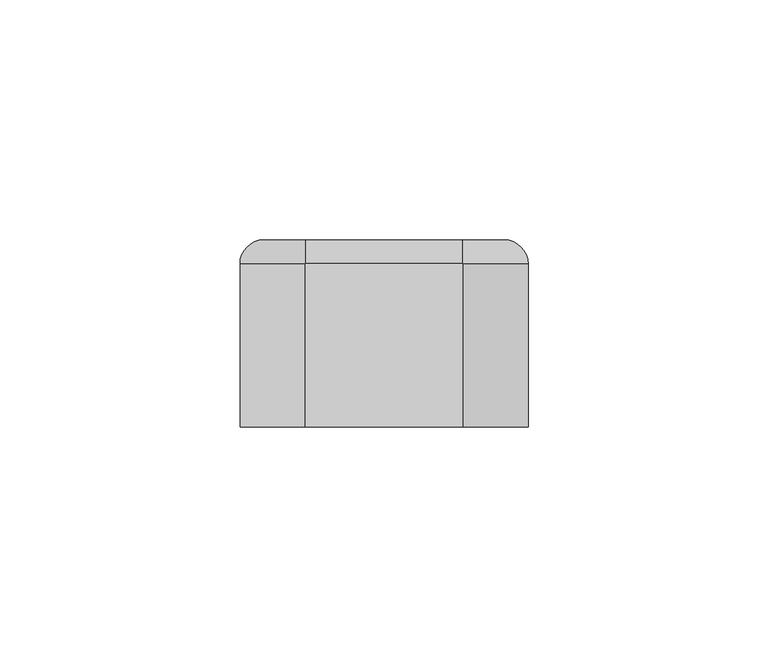
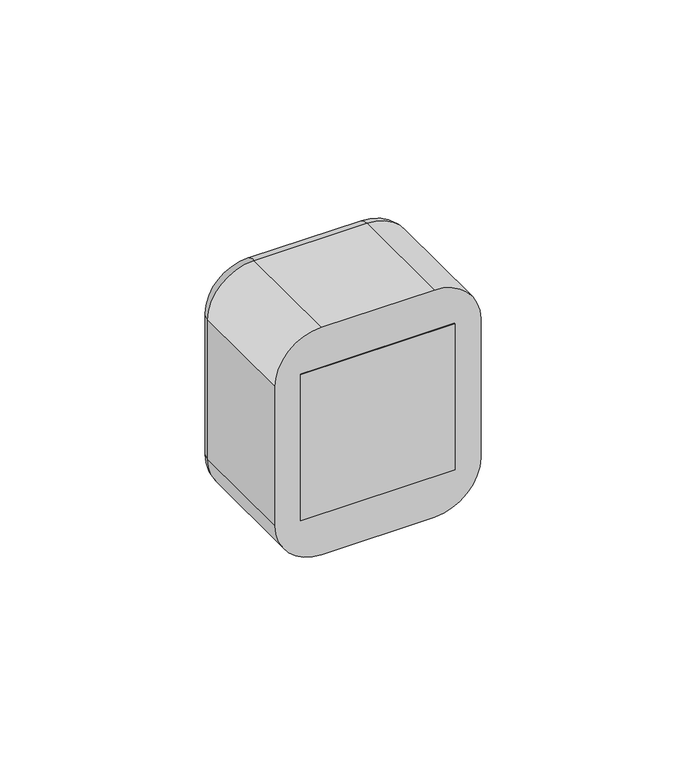
"""IFC4 building model written with IfcOpenShell, lengths in millimetres: proxy geometry."""

import ifcopenshell
import ifcopenshell.guid

model = None  # the IFC model being written
_history = None  # IfcOwnerHistory: only IFC2X3 demands one
_inside = {}  # id of a spatial element -> (the spatial element, [elements in it])
_under = {}  # id of a project, library or spatial element -> (it, [spatial elements below it])
_declared = {}  # id of a project -> (the project, [libraries it declares])
_typed = {}  # id of a type object -> (the type object, [elements of that type])
_made_of = {}  # id of a material, layer set ... -> (it, [elements and type objects made of it])


def new_model(schema):
    """Start an empty IFC model of exactly this schema.

    Asked for "IFC4X3", IfcOpenShell would pick the latest addendum, in which some entities
    have other attributes; the version numbers below select the first issue.
    IFC2X3 requires an IfcOwnerHistory on every rooted entity: one is made here for all.
    """
    global model, _history
    if schema == "IFC4X3":
        model = ifcopenshell.file(schema_version=(4, 3, 0, 0))
    else:
        model = ifcopenshell.file(schema=schema)
    _inside.clear()
    _under.clear()
    _declared.clear()
    _typed.clear()
    _made_of.clear()
    _history = None
    if model.schema == "IFC2X3":
        org = make("IfcOrganization", Name="unknown")
        user = make(
            "IfcPersonAndOrganization",
            ThePerson=make("IfcPerson", FamilyName="unknown"),
            TheOrganization=org,
        )
        app = make(
            "IfcApplication",
            ApplicationDeveloper=org,
            Version="unknown",
            ApplicationFullName="unknown",
            ApplicationIdentifier="unknown",
        )
        _history = make(
            "IfcOwnerHistory",
            OwningUser=user,
            OwningApplication=app,
            ChangeAction="ADDED",
            CreationDate=0,
        )
    return model


def make(cls, **values):
    """One entity of the class cls with the attributes given. An attribute that is None is left unset."""
    return model.create_entity(
        cls, **{name: value for name, value in values.items() if value is not None}
    )


def rooted(cls, **values):
    """An entity with a GlobalId (a new one), such as an element, a storey or a relation."""
    return make(cls, GlobalId=ifcopenshell.guid.new(), OwnerHistory=_history, **values)


def si_unit(unit_type, name, prefix=None):
    """IfcSIUnit, for example si_unit("LENGTHUNIT", "METRE", prefix="MILLI")."""
    return make("IfcSIUnit", UnitType=unit_type, Prefix=prefix, Name=name)


def assignment(units):
    """IfcUnitAssignment: the units of a project."""
    return None if units is None else make("IfcUnitAssignment", Units=units)


def point(xyz):
    """IfcCartesianPoint."""
    return None if xyz is None else make("IfcCartesianPoint", Coordinates=xyz)


def direction(xyz):
    """IfcDirection."""
    return None if xyz is None else make("IfcDirection", DirectionRatios=xyz)


def frame(location, z_axis=None, x_axis=None):
    """IfcAxis2Placement3D, a coordinate frame: its origin and axes. An axis left out is left unset."""
    return make(
        "IfcAxis2Placement3D",
        Location=point(location),
        Axis=direction(z_axis),
        RefDirection=direction(x_axis),
    )


def frame_2d(location, x_axis=None):
    """IfcAxis2Placement2D, a coordinate frame in the plane: its origin and x axis."""
    return make(
        "IfcAxis2Placement2D", Location=point(location), RefDirection=direction(x_axis)
    )


def origin():
    """The frame at (0, 0, 0) with its axes left unset."""
    return frame((0.0, 0.0, 0.0))


def origin_2d():
    """The frame at (0, 0) in the plane with its x axis left unset."""
    return frame_2d((0.0, 0.0))


def place(relative_to, where):
    """IfcLocalPlacement: puts the frame where relative to a parent placement (None: the world)."""
    return make(
        "IfcLocalPlacement", PlacementRelTo=relative_to, RelativePlacement=where
    )


def context(
    kind, dimensions, precision=None, world=None, true_north=None, identifier=None
):
    """IfcGeometricRepresentationContext, for example the 3D "Model" context."""
    return make(
        "IfcGeometricRepresentationContext",
        ContextIdentifier=identifier,
        ContextType=kind,
        CoordinateSpaceDimension=dimensions,
        Precision=precision,
        WorldCoordinateSystem=world,
        TrueNorth=true_north,
    )


def project(units=None, contexts=None):
    """IfcProject with its units and contexts."""
    return rooted(
        "IfcProject",
        Name="project",
        RepresentationContexts=contexts,
        UnitsInContext=assignment(units),
    )


def spatial(cls, under=None, at=None, **own):
    """A site, building, storey or space (cls), placed at a placement, below another one or the project."""
    s = rooted(cls, ObjectPlacement=at, **own)
    if under is not None:
        _under.setdefault(under.id(), (under, []))[1].append(s)
    return s


def polyline(points):
    """IfcPolyline through the points."""
    return make("IfcPolyline", Points=[point(p) for p in points])


def circle_curve(where, radius):
    """IfcCircle in the frame where."""
    return make("IfcCircle", Position=where, Radius=radius)


def ellipse_curve(where, semi_axis1, semi_axis2):
    """IfcEllipse in the frame where."""
    return make(
        "IfcEllipse", Position=where, SemiAxis1=semi_axis1, SemiAxis2=semi_axis2
    )


def trimmed(basis, trim1, trim2, sense, master):
    """IfcTrimmedCurve: the piece of a basis curve between two trims."""
    return make(
        "IfcTrimmedCurve",
        BasisCurve=basis,
        Trim1=trim1,
        Trim2=trim2,
        SenseAgreement=sense,
        MasterRepresentation=master,
    )


def segment(curve, same_sense, transition):
    """IfcCompositeCurveSegment."""
    return make(
        "IfcCompositeCurveSegment",
        Transition=transition,
        SameSense=same_sense,
        ParentCurve=curve,
    )


def composite_curve(segments, self_intersect=None):
    """IfcCompositeCurve: segments joined end to end."""
    return make("IfcCompositeCurve", Segments=segments, SelfIntersect=self_intersect)


def outline(outer, holes=None, kind="AREA"):
    """IfcArbitraryClosedProfileDef: a profile drawn as a closed curve; with holes, ...WithVoids."""
    if holes is None:
        return make("IfcArbitraryClosedProfileDef", ProfileType=kind, OuterCurve=outer)
    return make(
        "IfcArbitraryProfileDefWithVoids",
        ProfileType=kind,
        OuterCurve=outer,
        InnerCurves=holes,
    )


def extrude(swept, where, along, depth):
    """IfcExtrudedAreaSolid: the profile swept, set in the frame where, extruded along a direction by depth."""
    return make(
        "IfcExtrudedAreaSolid",
        SweptArea=swept,
        Position=where,
        ExtrudedDirection=direction(along),
        Depth=depth,
    )


def shape(context_of_items, identifier, shape_type, items):
    """IfcShapeRepresentation: the items that make up one representation, for example the "Body"."""
    return make(
        "IfcShapeRepresentation",
        ContextOfItems=context_of_items,
        RepresentationIdentifier=identifier,
        RepresentationType=shape_type,
        Items=items,
    )


def source(mapping_origin, context_of_items, identifier, shape_type, items):
    """IfcRepresentationMap: a shape defined once, which mapped items show again and again."""
    return make(
        "IfcRepresentationMap",
        MappingOrigin=mapping_origin,
        MappedRepresentation=shape(context_of_items, identifier, shape_type, items),
    )


def transform(
    local_origin,
    x_axis=None,
    y_axis=None,
    z_axis=None,
    scale=None,
    scale2=None,
    scale3=None,
    uniform=True,
):
    """IfcCartesianTransformationOperator3D, or its non-uniform kind. x_axis, y_axis, z_axis: its Axis1, 2, 3."""
    if uniform:
        return make(
            "IfcCartesianTransformationOperator3D",
            Axis1=direction(x_axis),
            Axis2=direction(y_axis),
            LocalOrigin=point(local_origin),
            Scale=scale,
            Axis3=direction(z_axis),
        )
    return make(
        "IfcCartesianTransformationOperator3DnonUniform",
        Axis1=direction(x_axis),
        Axis2=direction(y_axis),
        LocalOrigin=point(local_origin),
        Scale=scale,
        Axis3=direction(z_axis),
        Scale2=scale2,
        Scale3=scale3,
    )


def mapped(mapping_source, mapping_target):
    """IfcMappedItem: shows the shape of a source again, moved by a transform."""
    return make(
        "IfcMappedItem", MappingSource=mapping_source, MappingTarget=mapping_target
    )


def made_of(thing, what):
    """Note that an element or type object is made of a material, layer set ...; save() writes the relation."""
    if what is not None:
        _made_of.setdefault(what.id(), (what, []))[1].append(thing)
    return thing


def element(
    cls,
    number,
    at=None,
    inside=None,
    cuts=None,
    type_object=None,
    material=None,
    context=None,
    identifier="Body",
    shape_type=None,
    held_by="IfcProductDefinitionShape",
    body=None,
    shapes=None,
    **own,
):
    """One element of the class cls, such as IfcWall. Its Tag is "e" and its number.

    at: its placement. inside: the storey or other place that contains it. cuts: it is an
    opening in that element (IfcRelVoidsElement). A single representation is given by context,
    identifier, shape_type and body (its items); several are given by shapes. held_by: the class
    of the entity that holds the representations. save() writes the other relations.
    """
    e = rooted(cls, Tag="e%d" % number, ObjectPlacement=at, **own)
    if body is not None:
        shapes = [shape(context, identifier, shape_type, body)]
    if shapes is not None:
        e.Representation = make(held_by, Representations=shapes)
    if inside is not None:
        _inside.setdefault(inside.id(), (inside, []))[1].append(e)
    if cuts is not None:
        rooted(
            "IfcRelVoidsElement", RelatingBuildingElement=cuts, RelatedOpeningElement=e
        )
    if type_object is not None:
        _typed.setdefault(type_object.id(), (type_object, []))[1].append(e)
    return made_of(e, material)


def aggregate(whole, parts):
    """IfcRelAggregates: a whole, such as a stair, and the parts it consists of."""
    return rooted("IfcRelAggregates", RelatingObject=whole, RelatedObjects=parts)


def save(model, path):
    """Write the relations noted so far, then the file.

    IfcRelAggregates (storeys below a building ...), IfcRelContainedInSpatialStructure (elements
    in a storey), IfcRelDefinesByType, IfcRelAssociatesMaterial and IfcRelDeclares: one each for
    every whole, place, type object, material and project.
    """
    for whole, parts in _under.values():
        aggregate(whole, parts)
    for where, things in _inside.values():
        rooted(
            "IfcRelContainedInSpatialStructure",
            RelatedElements=things,
            RelatingStructure=where,
        )
    for kind, things in _typed.values():
        rooted("IfcRelDefinesByType", RelatedObjects=things, RelatingType=kind)
    for what, things in _made_of.values():
        rooted("IfcRelAssociatesMaterial", RelatedObjects=things, RelatingMaterial=what)
    for by, libraries in _declared.values():
        rooted("IfcRelDeclares", RelatingContext=by, RelatedDefinitions=libraries)
    model.write(path)


def plane_surface(at):
    """IfcPlane: the flat surface through the origin of the frame at, square to its z axis."""
    return make("IfcPlane", Position=at)


def cylinder_surface(at, radius):
    """IfcCylindricalSurface: all points at the distance radius from the z axis of the frame at."""
    return make("IfcCylindricalSurface", Position=at, Radius=radius)


def revolved_surface(curve, axis_point, axis_direction):
    """IfcSurfaceOfRevolution: the curve turned about the line through axis_point along axis_direction."""
    return make(
        "IfcSurfaceOfRevolution",
        SweptCurve=make("IfcArbitraryOpenProfileDef", ProfileType="CURVE", Curve=curve),
        AxisPosition=make("IfcAxis1Placement", Location=point(axis_point), Axis=direction(axis_direction)),
    )


def advanced_brep(points, edges, surfaces, faces):
    """IfcAdvancedBrep: a solid bounded by faces that lie on surfaces and meet in shared edges.

    An edge is (start, end): straight between two places in points (the first is 0);
    or (start, end, curve); or (start, end, curve, False) where it runs against its curve.
    A face is (place in surfaces, loops), or (place, loops, False) where it looks against
    its surface's normal. A loop lists edges by number (the first is 1), with a minus sign
    where the edge is run from its end to its start. The first loop is the outer one.
    """
    corners = [point(p) for p in points]
    vertices = [make("IfcVertexPoint", VertexGeometry=c) for c in corners]
    made = []
    for start, end, *more in edges:
        made.append(
            make(
                "IfcEdgeCurve",
                EdgeStart=vertices[start],
                EdgeEnd=vertices[end],
                EdgeGeometry=more[0] if more else make("IfcPolyline", Points=[corners[start], corners[end]]),
                SameSense=more[1] if len(more) > 1 else True,
            )
        )
    hull = []
    for where, loops, *sense in faces:
        bounds = []
        for j, loop in enumerate(loops):
            ring = [make("IfcOrientedEdge", EdgeElement=made[abs(k) - 1], Orientation=k > 0) for k in loop]
            bounds.append(
                make(
                    "IfcFaceOuterBound" if j == 0 else "IfcFaceBound",
                    Bound=make("IfcEdgeLoop", EdgeList=ring),
                    Orientation=True,
                )
            )
        hull.append(make("IfcAdvancedFace", Bounds=bounds, FaceSurface=surfaces[where], SameSense=sense[0] if sense else True))
    return make("IfcAdvancedBrep", Outer=make("IfcClosedShell", CfsFaces=hull))


def electrical_fixtures_f04dffb5(model_context):
    return source(origin(), model_context, "Body", "SolidModel", [
        advanced_brep(
        [(22.5, 39.0, 22.5), (22.5, 39.0, -22.5), (-22.5, 39.0, -22.5), (-22.5, 39.0, 22.5), (-18.0, 39.0, 0.0), (18.0, 39.0, 0.0), (22.5, 31.0, 22.5), (-22.5, 31.0, 22.5), (-22.5, 31.0, -22.5), (22.5, 31.0, -22.5), (-7.0, 31.0, 0.0), (-12.0, 31.0, 0.0), (12.0, 31.0, 0.0), (7.0, 31.0, 0.0), (8.9731851, 31.0, 17.8120198), (12.5935718, 31.0, 21.4324065), (21.4324065, 31.0, 12.5935718), (17.8120198, 31.0, 8.9731851), (-17.8120198, 31.0, 8.9731851), (-21.4324065, 31.0, 12.5935718), (-12.5935718, 31.0, 21.4324065), (-8.9731851, 31.0, 17.8120198), (11.5329116, 31.0, 18.9575328), (18.9575328, 31.0, 11.5329116), (20.018193, 31.0, 12.5935718), (12.5935718, 31.0, 20.018193), (-18.9575328, 31.0, 11.5329116), (-11.5329116, 31.0, 18.9575328), (-12.5935718, 31.0, 20.018193), (-20.018193, 31.0, 12.5935718), (-18.0, 32.0, 0.0), (18.0, 32.0, 0.0), (-12.0, 32.0, 0.0), (-7.0, 32.0, 0.0), (7.0, 32.0, 0.0), (12.0, 32.0, 0.0), (12.5935718, 32.0, 21.4324065), (8.9731851, 32.0, 17.8120198), (17.8120198, 32.0, 8.9731851), (21.4324065, 32.0, 12.5935718), (18.9575328, 32.0, 11.5329116), (11.5329116, 32.0, 18.9575328), (12.5935718, 32.0, 20.018193), (20.018193, 32.0, 12.5935718), (-21.4324065, 32.0, 12.5935718), (-17.8120198, 32.0, 8.9731851), (-8.9731851, 32.0, 17.8120198), (-12.5935718, 32.0, 21.4324065), (-11.5329116, 32.0, 18.9575328), (-18.9575328, 32.0, 11.5329116), (-20.018193, 32.0, 12.5935718), (-12.5935718, 32.0, 20.018193)],
        [
            (0, 1),
            (1, 2),
            (2, 3),
            (3, 0),
            (4, 5, circle_curve(frame((0.0, 39.0, 0.0), z_axis=(0.0, -1.0, 0.0), x_axis=(1.0, 0.0, 0.0)), 18.0)),
            (5, 4, circle_curve(frame((0.0, 39.0, 0.0), z_axis=(0.0, -1.0, 0.0), x_axis=(1.0, 0.0, 0.0)), 18.0)),
            (6, 7),
            (7, 8),
            (8, 9),
            (9, 6),
            (10, 11, circle_curve(frame((-9.5, 31.0, 0.0), z_axis=(0.0, 1.0, 0.0), x_axis=(1.0, 0.0, 0.0)), 2.5)),
            (11, 10, circle_curve(frame((-9.5, 31.0, 0.0), z_axis=(0.0, 1.0, 0.0), x_axis=(1.0, 0.0, 0.0)), 2.5)),
            (12, 13, circle_curve(frame((9.5, 31.0, 0.0), z_axis=(0.0, 1.0, 0.0), x_axis=(1.0, 0.0, 0.0)), 2.5)),
            (13, 12, circle_curve(frame((9.5, 31.0, 0.0), z_axis=(0.0, 1.0, 0.0), x_axis=(1.0, 0.0, 0.0)), 2.5)),
            (14, 15),
            (15, 16),
            (16, 17),
            (17, 14),
            (18, 19),
            (19, 20),
            (20, 21),
            (21, 18),
            (22, 23),
            (23, 24),
            (24, 25),
            (25, 22),
            (26, 27),
            (27, 28),
            (28, 29),
            (29, 26),
            (3, 7),
            (6, 0),
            (2, 8),
            (1, 9),
            (30, 31, circle_curve(frame((0.0, 32.0, 0.0), z_axis=(0.0, 1.0, 0.0), x_axis=(1.0, 0.0, 0.0)), 18.0)),
            (31, 30, circle_curve(frame((0.0, 32.0, 0.0), z_axis=(0.0, 1.0, 0.0), x_axis=(1.0, 0.0, 0.0)), 18.0)),
            (32, 33, circle_curve(frame((-9.5, 32.0, 0.0), z_axis=(0.0, -1.0, 0.0), x_axis=(1.0, 0.0, 0.0)), 2.5)),
            (33, 32, circle_curve(frame((-9.5, 32.0, 0.0), z_axis=(0.0, -1.0, 0.0), x_axis=(1.0, 0.0, 0.0)), 2.5)),
            (34, 35, circle_curve(frame((9.5, 32.0, 0.0), z_axis=(0.0, -1.0, 0.0), x_axis=(1.0, 0.0, 0.0)), 2.5)),
            (35, 34, circle_curve(frame((9.5, 32.0, 0.0), z_axis=(0.0, -1.0, 0.0), x_axis=(1.0, 0.0, 0.0)), 2.5)),
            (31, 5),
            (4, 30),
            (10, 33),
            (32, 11),
            (12, 35),
            (34, 13),
            (36, 37),
            (37, 38),
            (38, 39),
            (39, 36),
            (40, 41),
            (41, 42),
            (42, 43),
            (43, 40),
            (36, 15),
            (14, 37),
            (17, 38),
            (16, 39),
            (40, 23),
            (22, 41),
            (25, 42),
            (24, 43),
            (44, 45),
            (45, 46),
            (46, 47),
            (47, 44),
            (48, 49),
            (49, 50),
            (50, 51),
            (51, 48),
            (44, 19),
            (18, 45),
            (21, 46),
            (20, 47),
            (48, 27),
            (26, 49),
            (29, 50),
            (28, 51),
        ],
        [
            plane_surface(frame((-39.0, 39.0, 22.5), z_axis=(0.0, 1.0, 0.0), x_axis=(1.0, 0.0, 0.0))),
            plane_surface(frame((-39.0, 31.0, 22.5), z_axis=(0.0, -1.0, 0.0), x_axis=(-1.0, 0.0, 0.0))),
            plane_surface(frame((22.5, 31.0, 22.5), z_axis=(0.0, 0.0, 1.0), x_axis=(0.0, 1.0, 0.0))),
            plane_surface(frame((-22.5, 31.0, 22.5), z_axis=(-1.0, 0.0, 0.0), x_axis=(0.0, 1.0, 0.0))),
            plane_surface(frame((-22.5, 31.0, -22.5), z_axis=(0.0, 0.0, -1.0), x_axis=(0.0, 1.0, 0.0))),
            plane_surface(frame((22.5, 31.0, -22.5), z_axis=(1.0, 0.0, 0.0), x_axis=(0.0, 1.0, 0.0))),
            plane_surface(frame((18.0, 32.0, 0.0), z_axis=(0.0, 1.0, 0.0), x_axis=(0.0, 0.0, 1.0))),
            revolved_surface(polyline([(18.0, 32.0, 0.0), (18.0, 39.0, 0.0)]), (0.0, 39.0, 0.0), (0.0, -1.0, 0.0)),
            revolved_surface(polyline([(-7.0, 31.0, 0.0), (-7.0, 32.0, 0.0)]), (-9.5, 32.0, 0.0), (0.0, -1.0, 0.0)),
            revolved_surface(polyline([(12.0, 31.0, 0.0), (12.0, 32.0, 0.0)]), (9.5, 31.0, 0.0), (0.0, -1.0, 0.0)),
            plane_surface(frame((12.5935718, 32.0, 21.4324065), z_axis=(0.0, -1.0, 0.0), x_axis=(0.7071067811865469, 0.0, 0.7071067811865481))),
            plane_surface(frame((12.5935718, 31.0, 21.4324065), z_axis=(0.7071067811865481, 0.0, -0.7071067811865469), x_axis=(0.0, 1.0, 0.0))),
            plane_surface(frame((8.9731851, 31.0, 17.8120198), z_axis=(0.707106781186547, 0.0, 0.7071067811865481), x_axis=(0.0, 1.0, 0.0))),
            plane_surface(frame((17.8120198, 31.0, 8.9731851), z_axis=(-0.707106781186549, 0.0, 0.7071067811865461), x_axis=(0.0, 1.0, 0.0))),
            plane_surface(frame((21.4324065, 31.0, 12.5935718), z_axis=(-0.7071067811865469, 0.0, -0.7071067811865482), x_axis=(0.0, 1.0, 0.0))),
            plane_surface(frame((18.9575328, 31.0, 11.5329116), z_axis=(-0.7071067811865468, 0.0, -0.7071067811865482), x_axis=(0.0, 1.0, 0.0))),
            plane_surface(frame((11.5329116, 31.0, 18.9575328), z_axis=(-0.7071067811865503, 0.0, 0.7071067811865447), x_axis=(0.0, 1.0, 0.0))),
            plane_surface(frame((12.5935718, 31.0, 20.018193), z_axis=(0.7071067811865468, 0.0, 0.7071067811865482), x_axis=(0.0, 1.0, 0.0))),
            plane_surface(frame((20.018193, 31.0, 12.5935718), z_axis=(0.7071067811865489, 0.0, -0.7071067811865461), x_axis=(0.0, 1.0, 0.0))),
            plane_surface(frame((-21.4324065, 32.0, 12.5935718), z_axis=(0.0, -1.0, 0.0), x_axis=(-0.7071067811865486, 0.0, 0.7071067811865465))),
            plane_surface(frame((-21.4324065, 31.0, 12.5935718), z_axis=(0.7071067811865465, 0.0, 0.7071067811865486), x_axis=(0.0, 1.0, 0.0))),
            plane_surface(frame((-17.8120198, 31.0, 8.9731851), z_axis=(-0.7071067811865488, 0.0, 0.7071067811865462), x_axis=(0.0, 1.0, 0.0))),
            plane_surface(frame((-8.9731851, 31.0, 17.8120198), z_axis=(-0.7071067811865466, 0.0, -0.7071067811865486), x_axis=(0.0, 1.0, 0.0))),
            plane_surface(frame((-12.5935718, 31.0, 21.4324065), z_axis=(0.707106781186549, 0.0, -0.7071067811865461), x_axis=(0.0, 1.0, 0.0))),
            plane_surface(frame((-11.5329116, 31.0, 18.9575328), z_axis=(0.7071067811865488, 0.0, -0.7071067811865462), x_axis=(0.0, 1.0, 0.0))),
            plane_surface(frame((-18.9575328, 31.0, 11.5329116), z_axis=(-0.7071067811865455, 0.0, -0.7071067811865497), x_axis=(0.0, 1.0, 0.0))),
            plane_surface(frame((-20.018193, 31.0, 12.5935718), z_axis=(-0.7071067811865489, 0.0, 0.7071067811865462), x_axis=(0.0, 1.0, 0.0))),
            plane_surface(frame((-12.5935718, 31.0, 20.018193), z_axis=(0.7071067811865469, 0.0, 0.7071067811865482), x_axis=(0.0, 1.0, 0.0))),
        ],
        [
            (0, [[1, 2, 3, 4], [5, 6]]),
            (1, [[7, 8, 9, 10], [11, 12], [13, 14], [15, 16, 17, 18], [19, 20, 21, 22]]),
            (1, [[23, 24, 25, 26]]),
            (1, [[27, 28, 29, 30]]),
            (2, [[-4, 31, -7, 32]]),
            (3, [[-3, 33, -8, -31]]),
            (4, [[-2, 34, -9, -33]]),
            (5, [[-1, -32, -10, -34]]),
            (6, [[35, 36], [37, 38], [39, 40]]),
            (7, [[-36, 41, -5, 42]]),
            (7, [[-35, -42, -6, -41]]),
            (8, [[43, -37, 44, -11]]),
            (8, [[-43, -12, -44, -38]]),
            (9, [[45, -39, 46, -13]]),
            (9, [[-45, -14, -46, -40]]),
            (10, [[47, 48, 49, 50], [51, 52, 53, 54]]),
            (11, [[-47, 55, -15, 56]]),
            (12, [[-48, -56, -18, 57]]),
            (13, [[-49, -57, -17, 58]]),
            (14, [[-50, -58, -16, -55]]),
            (15, [[-51, 59, -23, 60]]),
            (16, [[-52, -60, -26, 61]]),
            (17, [[-53, -61, -25, 62]]),
            (18, [[-54, -62, -24, -59]]),
            (19, [[63, 64, 65, 66], [67, 68, 69, 70]]),
            (20, [[-63, 71, -19, 72]]),
            (21, [[-64, -72, -22, 73]]),
            (22, [[-65, -73, -21, 74]]),
            (23, [[-66, -74, -20, -71]]),
            (24, [[-67, 75, -27, 76]]),
            (25, [[-68, -76, -30, 77]]),
            (26, [[-69, -77, -29, 78]]),
            (27, [[-70, -78, -28, -75]]),
        ],
    ),
        extrude(outline(polyline([(22.5, 0.0), (-22.5, 0.0), (-22.5, 31.0), (22.5, 31.0), (22.5, 0.0)])), frame((0.0, 0.0, -22.5), z_axis=(0.0, 0.0, 1.0), x_axis=(1.0, 0.0, 0.0)), (0.0, 0.0, 1.0), 45.0),
        extrude(outline(composite_curve([segment(polyline([(-16.0, -1.5), (-17.9373911, -1.5)]), True, "CONTINUOUS"), segment(trimmed(circle_curve(origin_2d(), 18.0), [point((-17.9373911, -1.5))], [point((-17.9373911, 1.5))], False, "CARTESIAN"), True, "CONTINUOUS"), segment(polyline([(-17.9373911, 1.5), (-16.0, 1.5), (-16.0, -1.5)]), True, "CONTINUOUS")], self_intersect=False)), frame((0.0, 32.0, 0.0), z_axis=(0.0, 1.0, 0.0), x_axis=(0.0, 0.0, 1.0)), (0.0, 0.0, 1.0), 6.0),
        extrude(outline(composite_curve([segment(polyline([(16.0, -1.5), (16.0, 1.5), (17.9373911, 1.5)]), True, "CONTINUOUS"), segment(trimmed(circle_curve(origin_2d(), 18.0), [point((17.9373911, 1.5))], [point((17.9373911, -1.5))], False, "CARTESIAN"), True, "CONTINUOUS"), segment(polyline([(17.9373911, -1.5), (16.0, -1.5)]), True, "CONTINUOUS")], self_intersect=False)), frame((0.0, 32.0, 0.0), z_axis=(0.0, 1.0, 0.0), x_axis=(0.0, 0.0, 1.0)), (0.0, 0.0, 1.0), 6.0),
        extrude(outline(composite_curve([segment(polyline([(8.2462113, 16.0), (2.0, 16.0), (2.0, 17.8885438)]), True, "CONTINUOUS"), segment(trimmed(circle_curve(origin_2d(), 18.0), [point((2.0, 17.8885438))], [point((8.2462113, 16.0))], False, "CARTESIAN"), True, "CONTINUOUS")], self_intersect=False)), frame((0.0, 32.0, 0.0), z_axis=(0.0, 1.0, 0.0), x_axis=(0.0, 0.0, 1.0)), (0.0, 0.0, 1.0), 6.0),
        extrude(outline(composite_curve([segment(trimmed(circle_curve(origin_2d(), 18.0), [point((-8.2462113, 16.0))], [point((-2.0, 17.8885438))], False, "CARTESIAN"), True, "CONTINUOUS"), segment(polyline([(-2.0, 17.8885438), (-2.0, 16.0), (-8.2462113, 16.0)]), True, "CONTINUOUS")], self_intersect=False)), frame((0.0, 32.0, 0.0), z_axis=(0.0, 1.0, 0.0), x_axis=(0.0, 0.0, 1.0)), (0.0, 0.0, 1.0), 6.0),
        extrude(outline(composite_curve([segment(polyline([(-8.2462113, -16.0), (-2.0, -16.0), (-2.0, -17.8885438)]), True, "CONTINUOUS"), segment(trimmed(circle_curve(origin_2d(), 18.0), [point((-2.0, -17.8885438))], [point((-8.2462113, -16.0))], False, "CARTESIAN"), True, "CONTINUOUS")], self_intersect=False)), frame((0.0, 32.0, 0.0), z_axis=(0.0, 1.0, 0.0), x_axis=(0.0, 0.0, 1.0)), (0.0, 0.0, 1.0), 6.0),
        extrude(outline(composite_curve([segment(trimmed(circle_curve(origin_2d(), 18.0), [point((8.2462113, -16.0))], [point((2.0, -17.8885438))], False, "CARTESIAN"), True, "CONTINUOUS"), segment(polyline([(2.0, -17.8885438), (2.0, -16.0), (8.2462113, -16.0)]), True, "CONTINUOUS")], self_intersect=False)), frame((0.0, 32.0, 0.0), z_axis=(0.0, 1.0, 0.0), x_axis=(0.0, 0.0, 1.0)), (0.0, 0.0, 1.0), 6.0),
        advanced_brep(
        [(16.4328665, 39.0, 30.0), (25.0, 39.0, 21.4328665), (25.0, 39.0, -21.4328665), (16.4328665, 39.0, -30.0), (-16.4328665, 39.0, -30.0), (-25.0, 39.0, -21.4328665), (-25.0, 39.0, 21.4328665), (-16.4328665, 39.0, 30.0), (22.5, 39.0, 22.5), (-22.5, 39.0, 22.5), (-22.5, 39.0, -22.5), (22.5, 39.0, -22.5), (-16.4328665, 0.0, 35.0), (-30.0, 0.0, 21.4328665), (-30.0, 0.0, -21.4328665), (-16.4328665, 0.0, -35.0), (16.4328665, 0.0, -35.0), (30.0, 0.0, -21.4328665), (30.0, 0.0, 21.4328665), (16.4328665, 0.0, 35.0), (22.5, 2.0, -22.5), (22.5, 2.0, 22.5), (-22.5, 2.0, -22.5), (-22.5, 2.0, 22.5), (-30.0, 34.0, 21.4328665), (-30.0, 34.0, -21.4328665), (-16.4328665, 34.0, -35.0), (16.4328665, 34.0, -35.0), (30.0, 34.0, -21.4328665), (30.0, 34.0, 21.4328665), (16.4328665, 34.0000072, 35.0), (-16.4328665, 34.0, 35.0)],
        [
            (0, 1, circle_curve(frame((16.4328665, 39.0, 21.4328665), z_axis=(0.0, 1.0, 0.0), x_axis=(0.0, 0.0, 1.0)), 8.5671335)),
            (1, 2),
            (2, 3, circle_curve(frame((16.4328665, 39.0, -21.4328665), z_axis=(0.0, 1.0, 0.0), x_axis=(1.0, 0.0, 0.0)), 8.5671335)),
            (3, 4),
            (4, 5, circle_curve(frame((-16.4328665, 39.0, -21.4328665), z_axis=(0.0, 1.0, 0.0), x_axis=(0.0, 0.0, -1.0)), 8.5671335)),
            (5, 6),
            (6, 7, circle_curve(frame((-16.4328665, 39.0, 21.4328665), z_axis=(0.0, 1.0, 0.0), x_axis=(-1.0, 0.0, 0.0)), 8.5671335)),
            (7, 0),
            (8, 9),
            (9, 10),
            (10, 11),
            (11, 8),
            (12, 13, circle_curve(frame((-16.4328665, 0.0, 21.4328665), z_axis=(0.0, -1.0, 0.0), x_axis=(1.0, 0.0, 0.0)), 13.5671335)),
            (13, 14),
            (14, 15, circle_curve(frame((-16.4328665, 0.0, -21.4328665), z_axis=(0.0, -1.0, 0.0), x_axis=(1.0, 0.0, 0.0)), 13.5671335)),
            (15, 16),
            (16, 17, circle_curve(frame((16.4328665, 0.0, -21.4328665), z_axis=(0.0, -1.0, 0.0), x_axis=(1.0, 0.0, 0.0)), 13.5671335)),
            (17, 18),
            (18, 19, circle_curve(frame((16.4328665, 0.0, 21.4328665), z_axis=(0.0, -1.0, 0.0), x_axis=(1.0, 0.0, 0.0)), 13.5671335)),
            (19, 12),
            (11, 20),
            (20, 21),
            (21, 8),
            (10, 22),
            (22, 20),
            (9, 23),
            (23, 22),
            (21, 23),
            (13, 24),
            (24, 25),
            (25, 14),
            (15, 26),
            (26, 27),
            (27, 16),
            (17, 28),
            (28, 29),
            (29, 18),
            (19, 30),
            (30, 31),
            (31, 12),
            (31, 24, circle_curve(frame((-16.4328665, 34.0, 21.4328665), z_axis=(0.0, -1.0, 0.0), x_axis=(1.0, 0.0, 0.0)), 13.5671335)),
            (25, 26, circle_curve(frame((-16.4328665, 34.0, -21.4328665), z_axis=(0.0, -1.0, 0.0), x_axis=(1.0, 0.0, 0.0)), 13.5671335)),
            (27, 28, circle_curve(frame((16.4328665, 34.0, -21.4328665), z_axis=(0.0, -1.0, 0.0), x_axis=(1.0, 0.0, 0.0)), 13.5671335)),
            (29, 30, circle_curve(frame((16.4328665, 34.0, 21.4328665), z_axis=(0.0, -1.0, 0.0), x_axis=(1.0, 0.0, 0.0)), 13.5671335)),
            (29, 1, circle_curve(frame((25.0, 34.0, 21.4328665), z_axis=(0.0, 0.0, 1.0), x_axis=(0.0, 1.0, 0.0)), 5.0)),
            (0, 30, circle_curve(frame((16.4328665, 34.0, 30.0), z_axis=(1.0, 0.0, 0.0), x_axis=(0.0, 1.0, 0.0)), 5.0)),
            (28, 2, circle_curve(frame((25.0, 34.0, -21.4328665), z_axis=(0.0, 0.0, 1.0), x_axis=(0.0, 1.0, 0.0)), 5.0)),
            (27, 3, circle_curve(frame((16.4328665, 34.0, -30.0), z_axis=(1.0, 0.0, 0.0), x_axis=(0.0, 1.0, 0.0)), 5.0)),
            (26, 4, circle_curve(frame((-16.4328665, 34.0, -30.0), z_axis=(1.0, 0.0, 0.0), x_axis=(0.0, 1.0, 0.0)), 5.0)),
            (25, 5, circle_curve(frame((-25.0, 34.0, -21.4328665), z_axis=(0.0, 0.0, -1.0), x_axis=(0.0, 1.0, 0.0)), 5.0)),
            (24, 6, circle_curve(frame((-25.0, 34.0, 21.4328665), z_axis=(0.0, 0.0, -1.0), x_axis=(0.0, 1.0, 0.0)), 5.0)),
            (31, 7, circle_curve(frame((-16.4328665, 34.0, 30.0), z_axis=(-1.0, 0.0, 0.0), x_axis=(0.0, 1.0, 0.0)), 5.0)),
        ],
        [
            plane_surface(frame((22.5, 39.0, 6.9412233), z_axis=(0.0, 1.0, 0.0), x_axis=(0.0, 0.0, 1.0))),
            plane_surface(frame((22.5, 0.0, 6.9412233), z_axis=(0.0, -1.0, 0.0), x_axis=(0.0, 0.0, -1.0))),
            plane_surface(frame((22.5, 0.0, 22.5), z_axis=(-1.0, 0.0, 0.0), x_axis=(0.0, 1.0, 0.0))),
            plane_surface(frame((22.5, 0.0, -22.5), z_axis=(0.0, 0.0, 1.0), x_axis=(0.0, 1.0, 0.0))),
            plane_surface(frame((-22.5, 0.0, -22.5), z_axis=(1.0, 0.0, 0.0), x_axis=(0.0, 1.0, 0.0))),
            plane_surface(frame((-22.5, 0.0, 22.5), z_axis=(0.0, 0.0, -1.0), x_axis=(0.0, 1.0, 0.0))),
            plane_surface(frame((-30.0, 0.0, 21.4328665), z_axis=(-1.0, 0.0, 0.0), x_axis=(0.0, 1.0, 0.0))),
            plane_surface(frame((-16.4328665, 0.0, -35.0), z_axis=(0.0, 0.0, -1.0), x_axis=(0.0, 1.0, 0.0))),
            plane_surface(frame((30.0, 0.0, -21.4328665), z_axis=(1.0, 0.0, 0.0), x_axis=(0.0, 1.0, 0.0))),
            plane_surface(frame((16.4328665, 0.0, 35.0), z_axis=(0.0, 0.0, 1.0), x_axis=(0.0, 1.0, 0.0))),
            cylinder_surface(frame((-16.4328665, 0.0, 21.4328665), z_axis=(0.0, -1.0, 0.0), x_axis=(1.0, 0.0, 0.0)), 13.5671335),
            cylinder_surface(frame((-16.4328665, 0.0, -21.4328665), z_axis=(0.0, -1.0, 0.0), x_axis=(1.0, 0.0, 0.0)), 13.5671335),
            cylinder_surface(frame((16.4328665, 0.0, -21.4328665), z_axis=(0.0, -1.0, 0.0), x_axis=(1.0, 0.0, 0.0)), 13.5671335),
            cylinder_surface(frame((16.4328665, 0.0, 21.4328665), z_axis=(0.0, -1.0, 0.0), x_axis=(1.0, 0.0, 0.0)), 13.5671335),
            plane_surface(frame((-22.5, 2.0, 31.0), z_axis=(0.0, 1.0, 0.0), x_axis=(0.0, 0.0, 1.0))),
            revolved_surface(trimmed(ellipse_curve(frame((16.4328665, 34.0, 30.0), z_axis=(-1.0, 0.0, 0.0), x_axis=(0.0, 1.0, 0.0)), 5.0, 5.0), [point((16.4328665, 34.0, 35.0))], [point((16.4328665, 39.0, 30.0))], True, "CARTESIAN"), (16.4328665, 39.0, 21.4328665), (0.0, 1.0, 0.0)),
            cylinder_surface(frame((25.0, 34.0, 21.4328665), z_axis=(0.0, 0.0, -1.0), x_axis=(0.0, 1.0, 0.0)), 5.0),
            revolved_surface(trimmed(ellipse_curve(frame((25.0, 34.0, -21.4328665), z_axis=(0.0, 0.0, 1.0), x_axis=(0.0, 1.0, 0.0)), 5.0, 5.0), [point((30.0, 34.0, -21.4328665))], [point((25.0, 39.0, -21.4328665))], True, "CARTESIAN"), (16.4328665, 39.0, -21.4328665), (0.0, 1.0, 0.0)),
            cylinder_surface(frame((16.4328665, 34.0, -30.0), z_axis=(-1.0, 0.0, 0.0), x_axis=(0.0, 1.0, 0.0)), 5.0),
            revolved_surface(trimmed(ellipse_curve(frame((-16.4328665, 34.0, -30.0), z_axis=(1.0, 0.0, 0.0), x_axis=(0.0, 1.0, 0.0)), 5.0, 5.0), [point((-16.4328665, 34.0, -35.0))], [point((-16.4328665, 39.0, -30.0))], True, "CARTESIAN"), (-16.4328665, 39.0, -21.4328665), (0.0, 1.0, 0.0)),
            cylinder_surface(frame((-25.0, 34.0, -21.4328665), z_axis=(0.0, 0.0, 1.0), x_axis=(0.0, 1.0, 0.0)), 5.0),
            revolved_surface(trimmed(ellipse_curve(frame((-25.0, 34.0, 21.4328665), z_axis=(0.0, 0.0, -1.0), x_axis=(0.0, 1.0, 0.0)), 5.0, 5.0), [point((-30.0, 34.0, 21.4328665))], [point((-25.0, 39.0, 21.4328665))], True, "CARTESIAN"), (-16.4328665, 39.0, 21.4328665), (0.0, 1.0, 0.0)),
            cylinder_surface(frame((-16.4328665, 34.0, 30.0), z_axis=(1.0, 0.0, 0.0), x_axis=(0.0, 1.0, 0.0)), 5.0),
        ],
        [
            (0, [[1, 2, 3, 4, 5, 6, 7, 8], [9, 10, 11, 12]]),
            (1, [[13, 14, 15, 16, 17, 18, 19, 20]]),
            (2, [[-12, 21, 22, 23]]),
            (3, [[-11, 24, 25, -21]]),
            (4, [[-10, 26, 27, -24]]),
            (5, [[-9, -23, 28, -26]]),
            (6, [[-14, 29, 30, 31]]),
            (7, [[-16, 32, 33, 34]]),
            (8, [[-18, 35, 36, 37]]),
            (9, [[-20, 38, 39, 40]]),
            (10, [[-13, -40, 41, -29]]),
            (11, [[-15, -31, 42, -32]]),
            (12, [[-17, -34, 43, -35]]),
            (13, [[-19, -37, 44, -38]]),
            (14, [[-22, -25, -27, -28]]),
            (15, [[45, -1, 46, -44]]),
            (16, [[-45, -36, 47, -2]]),
            (17, [[-47, -43, 48, -3]]),
            (18, [[-48, -33, 49, -4]]),
            (19, [[-49, -42, 50, -5]]),
            (20, [[-50, -30, 51, -6]]),
            (21, [[-51, -41, 52, -7]]),
            (22, [[-46, -8, -52, -39]]),
        ],
    ),
    ])


if __name__ == "__main__":
    model = new_model("IFC4")
    model_context = context("Model", 3, world=origin())
    ifc_project = project(units=[si_unit("LENGTHUNIT", "METRE", prefix="MILLI")], contexts=[model_context])
    site = spatial("IfcSite", under=ifc_project)
    building = spatial("IfcBuilding", under=site)
    placement = place(None, origin())
    electrical_fixtures_shape = electrical_fixtures_f04dffb5(model_context)
    element("IfcBuildingElementProxy", 1, Name="Electrical Fixtures", at=placement, inside=building, context=model_context, shape_type="MappedRepresentation", body=[
        mapped(electrical_fixtures_shape, transform((0.0, 0.0, 0.0), x_axis=(1.0, 0.0, 0.0), y_axis=(0.0, 1.0, 0.0), z_axis=(0.0, 0.0, 1.0))),
    ])
    save(model, "model.ifc")
